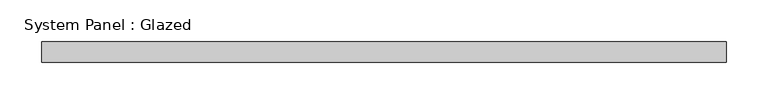
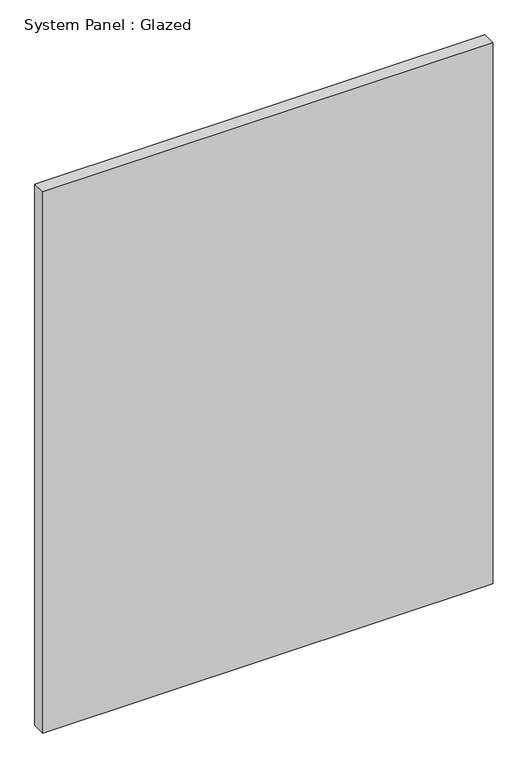
"""IFC4 building model written with IfcOpenShell, lengths in millimetres: plate geometry, System Panel : Glazed."""

from ifc_helpers import new_model, si_unit, origin, origin_with_axes, place, context, project, spatial, polyline, outline, extrude, source, transform, mapped, element, save


def system_panel_glazed_818c5592(model_context):
    return source(origin(), model_context, "Body", "SweptSolid", [
        extrude(outline(polyline([(412.5, 24.5), (-412.5, 24.5), (-412.5, 49.5), (412.5, 49.5), (412.5, 24.5)])), origin_with_axes(), (0.0, 0.0, 1.0), 1048.3333333),
    ])


if __name__ == "__main__":
    model = new_model("IFC4")
    model_context = context("Model", 3, world=origin())
    ifc_project = project(units=[si_unit("LENGTHUNIT", "METRE", prefix="MILLI")], contexts=[model_context])
    site = spatial("IfcSite", under=ifc_project)
    building = spatial("IfcBuilding", under=site)
    placement = place(None, origin())
    system_panel_glazed_shape = system_panel_glazed_818c5592(model_context)
    element("IfcPlate", 1, ObjectType="System Panel : Glazed", at=placement, inside=building, context=model_context, shape_type="MappedRepresentation", body=[
        mapped(system_panel_glazed_shape, transform((0.0, 0.0, 0.0), x_axis=(1.0, 0.0, 0.0), y_axis=(0.0, 1.0, 0.0), z_axis=(0.0, 0.0, 1.0))),
    ])
    save(model, "model.ifc")
